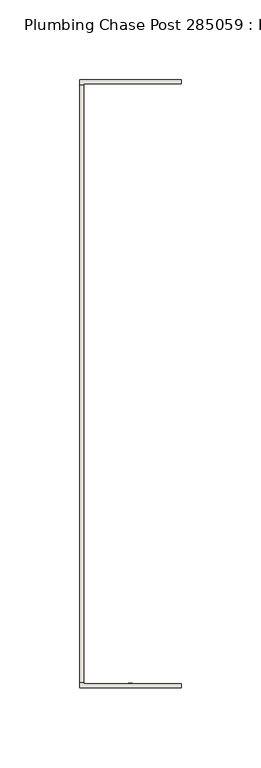
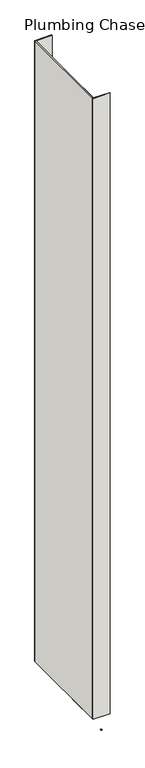
"""IFC4 building model written with IfcOpenShell, lengths in millimetres: wall geometry, Plumbing Chase Post 285059 : Plumbing Chase Post 285059."""

from ifc_helpers import new_model, si_unit, frame, origin, place, context, project, spatial, polyline, outline, extrude, source, transform, mapped, element, save


def plumbing_chase_post_285059_plumbing_chase_post_285059_a156dc81(model_context):
    return source(origin(), model_context, "Body", "SweptSolid", [
        extrude(outline(polyline([(78033.282211, -52185.231418), (78033.282211, -52187.771418), (78030.742211, -52187.771418), (78030.742211, -52185.231418), (78033.282211, -52185.231418)])), frame((0.0, 0.0, 4419.6), z_axis=(0.0, 0.0, 1.0), x_axis=(1.0, 0.0, 0.0)), (0.0, 0.0, 1.0), 2.54),
        extrude(outline(polyline([(77999.9955618, -52185.0875524), (77999.9955618, -51809.4732668), (78002.6620538, -51809.4732668), (78002.6620538, -52185.0875524), (77999.9955618, -52185.0875524)])), frame((0.0, 0.0, 4474.8958), z_axis=(0.0, 0.0, 1.0), x_axis=(1.0, 0.0, 0.0)), (0.0, 0.0, 1.0), 2481.1482254),
        extrude(outline(polyline([(77999.9955618, -52185.0875524), (77999.9955618, -51809.4732668), (78002.6620538, -51809.4732668), (78002.6620538, -52185.0875524), (77999.9955618, -52185.0875524)])), frame((0.0, 0.0, 4474.8958), z_axis=(0.0, 0.0, 1.0), x_axis=(1.0, 0.0, 0.0)), (0.0, 0.0, 1.0), 2481.1482254),
        extrude(outline(polyline([(77999.9955618, -52188.5168064), (77999.9955618, -52055.1668064), (78002.6620538, -52055.1668064), (78002.6620538, -52185.8751048), (78064.0040444, -52185.850289), (78064.0040444, -52188.5168064), (77999.9955618, -52188.5168064)])), frame((0.0, 0.0, 4474.8958), z_axis=(0.0, 0.0, 1.0), x_axis=(1.0, 0.0, 0.0)), (0.0, 0.0, 1.0), 2481.1482254),
        extrude(outline(polyline([(77999.9955618, -52188.5168064), (77999.9955618, -52055.1668064), (78002.6620538, -52055.1668064), (78002.6620538, -52185.8751048), (78064.0040444, -52185.850289), (78064.0040444, -52188.5168064), (77999.9955618, -52188.5168064)])), frame((0.0, 0.0, 4474.8958), z_axis=(0.0, 0.0, 1.0), x_axis=(1.0, 0.0, 0.0)), (0.0, 0.0, 1.0), 2481.1482254),
        extrude(outline(polyline([(78002.6620538, -51939.3692224), (77999.9955618, -51939.3692224), (77999.9955618, -51806.0192224), (78064.0040444, -51806.0192224), (78064.0040444, -51808.6857144), (78002.6620538, -51808.6857144), (78002.6620538, -51939.3692224)])), frame((0.0, 0.0, 4474.8958), z_axis=(0.0, 0.0, 1.0), x_axis=(1.0, 0.0, 0.0)), (0.0, 0.0, 1.0), 2481.1482254),
        extrude(outline(polyline([(78002.6620538, -51939.3692224), (77999.9955618, -51939.3692224), (77999.9955618, -51806.0192224), (78064.0040444, -51806.0192224), (78064.0040444, -51808.6857144), (78002.6620538, -51808.6857144), (78002.6620538, -51939.3692224)])), frame((0.0, 0.0, 4474.8958), z_axis=(0.0, 0.0, 1.0), x_axis=(1.0, 0.0, 0.0)), (0.0, 0.0, 1.0), 2481.1482254),
    ])


if __name__ == "__main__":
    model = new_model("IFC4")
    model_context = context("Model", 3, world=origin())
    ifc_project = project(units=[si_unit("LENGTHUNIT", "METRE", prefix="MILLI")], contexts=[model_context])
    site = spatial("IfcSite", under=ifc_project)
    building = spatial("IfcBuilding", under=site)
    placement = place(None, origin())
    plumbing_chase_post_285059_plumbing_chase_post_285059_shape = plumbing_chase_post_285059_plumbing_chase_post_285059_a156dc81(model_context)
    element("IfcWall", 1, ObjectType="Plumbing Chase Post 285059 : Plumbing Chase Post 285059", at=placement, inside=building, context=model_context, shape_type="MappedRepresentation", body=[
        mapped(plumbing_chase_post_285059_plumbing_chase_post_285059_shape, transform((0.0, 0.0, 0.0), x_axis=(1.0, 0.0, 0.0), y_axis=(0.0, 1.0, 0.0), z_axis=(0.0, 0.0, 1.0))),
    ])
    save(model, "model.ifc")
